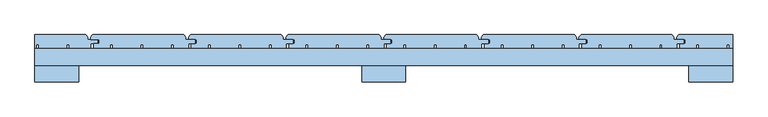
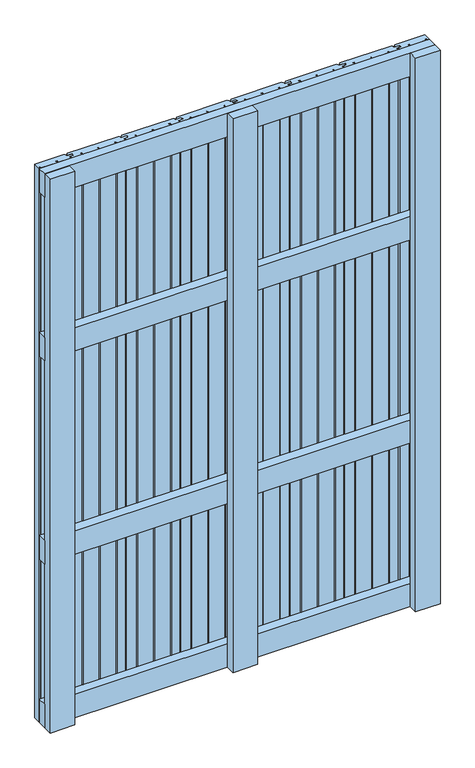
"""IFC4 building model written with IfcOpenShell, lengths in millimetres: window geometry."""

from ifc_helpers import new_model, si_unit, frame, origin, place, context, project, spatial, polyline, outline, extrude, source, transform, mapped, element, save


def window_5d65d1c5(model_context):
    return source(origin(), model_context, "Body", "SweptSolid", [
        extrude(outline(polyline([(500.0, 30.0), (500.0, 6.0), (-500.0, 6.0), (-500.0, 30.0), (500.0, 30.0)])), frame((0.0, 0.0, 1093.5), z_axis=(0.0, 0.0, 1.0), x_axis=(1.0, 0.0, 0.0)), (0.0, 0.0, 1.0), 63.0),
        extrude(outline(polyline([(500.0, 30.0), (500.0, 6.0), (-500.0, 6.0), (-500.0, 30.0), (500.0, 30.0)])), frame((0.0, 0.0, 543.5), z_axis=(0.0, 0.0, 1.0), x_axis=(1.0, 0.0, 0.0)), (0.0, 0.0, 1.0), 63.0),
        extrude(outline(polyline([(500.0, 30.0), (500.0, 6.0), (-500.0, 6.0), (-500.0, 30.0), (500.0, 30.0)])), frame((0.0, 0.0, 1537.0), z_axis=(0.0, 0.0, 1.0), x_axis=(1.0, 0.0, 0.0)), (0.0, 0.0, 1.0), 63.0),
        extrude(outline(polyline([(500.0, 30.0), (500.0, 6.0), (-500.0, 6.0), (-500.0, 30.0), (500.0, 30.0)])), frame((0.0, 0.0, 100.0), z_axis=(0.0, 0.0, 1.0), x_axis=(1.0, 0.0, 0.0)), (0.0, 0.0, 1.0), 63.0),
        extrude(outline(polyline([(-417.0, 50.0), (-287.0, 50.0), (-284.0, 47.0), (-284.0, 43.0), (-270.0, 43.0), (-270.0, 37.0), (-280.0, 37.0), (-280.0, 30.0), (-301.1278597, 30.0), (-301.1278597, 36.0), (-304.6278597, 36.0), (-304.6278597, 30.0), (-344.6889298, 30.0), (-344.6889298, 36.0), (-348.1889298, 36.0), (-348.1889298, 30.0), (-388.25, 30.0), (-388.25, 36.0), (-391.75, 36.0), (-391.75, 30.0), (-416.0, 30.0), (-416.0, 37.0), (-408.0, 37.0), (-408.0, 43.0), (-420.0, 43.0), (-420.0, 47.0), (-417.0, 50.0)])), frame((0.0, 0.0, 100.0), z_axis=(0.0, 0.0, 1.0), x_axis=(1.0, 0.0, 0.0)), (0.0, 0.0, 1.0), 1500.0),
        extrude(outline(polyline([(-277.0, 50.0), (-147.0, 50.0), (-144.0, 47.0), (-144.0, 43.0), (-130.0, 43.0), (-130.0, 37.0), (-140.0, 37.0), (-140.0, 30.0), (-161.1278597, 30.0), (-161.1278597, 36.0), (-164.6278597, 36.0), (-164.6278597, 30.0), (-204.6889298, 30.0), (-204.6889298, 36.0), (-208.1889298, 36.0), (-208.1889298, 30.0), (-248.25, 30.0), (-248.25, 36.0), (-251.75, 36.0), (-251.75, 30.0), (-276.0, 30.0), (-276.0, 37.0), (-268.0, 37.0), (-268.0, 43.0), (-280.0, 43.0), (-280.0, 47.0), (-277.0, 50.0)])), frame((0.0, 0.0, 100.0), z_axis=(0.0, 0.0, 1.0), x_axis=(1.0, 0.0, 0.0)), (0.0, 0.0, 1.0), 1500.0),
        extrude(outline(polyline([(-137.0, 50.0), (-7.0, 50.0), (-4.0, 47.0), (-4.0, 43.0), (10.0, 43.0), (10.0, 37.0), (0.0, 37.0), (0.0, 30.0), (-21.1278597, 30.0), (-21.1278597, 36.0), (-24.6278597, 36.0), (-24.6278597, 30.0), (-64.6889298, 30.0), (-64.6889298, 36.0), (-68.1889298, 36.0), (-68.1889298, 30.0), (-108.25, 30.0), (-108.25, 36.0), (-111.75, 36.0), (-111.75, 30.0), (-136.0, 30.0), (-136.0, 37.0), (-128.0, 37.0), (-128.0, 43.0), (-140.0, 43.0), (-140.0, 47.0), (-137.0, 50.0)])), frame((0.0, 0.0, 100.0), z_axis=(0.0, 0.0, 1.0), x_axis=(1.0, 0.0, 0.0)), (0.0, 0.0, 1.0), 1500.0),
        extrude(outline(polyline([(3.0, 50.0), (133.0, 50.0), (136.0, 47.0), (136.0, 43.0), (150.0, 43.0), (150.0, 37.0), (140.0, 37.0), (140.0, 30.0), (118.8721403, 30.0), (118.8721403, 36.0), (115.3721403, 36.0), (115.3721403, 30.0), (75.3110702, 30.0), (75.3110702, 36.0), (71.8110702, 36.0), (71.8110702, 30.0), (31.75, 30.0), (31.75, 36.0), (28.25, 36.0), (28.25, 30.0), (4.0, 30.0), (4.0, 37.0), (12.0, 37.0), (12.0, 43.0), (0.0, 43.0), (0.0, 47.0), (3.0, 50.0)])), frame((0.0, 0.0, 100.0), z_axis=(0.0, 0.0, 1.0), x_axis=(1.0, 0.0, 0.0)), (0.0, 0.0, 1.0), 1500.0),
        extrude(outline(polyline([(143.0, 50.0), (273.0, 50.0), (276.0, 47.0), (276.0, 43.0), (290.0, 43.0), (290.0, 37.0), (280.0, 37.0), (280.0, 30.0), (258.8721403, 30.0), (258.8721403, 36.0), (255.3721403, 36.0), (255.3721403, 30.0), (215.3110702, 30.0), (215.3110702, 36.0), (211.8110702, 36.0), (211.8110702, 30.0), (171.75, 30.0), (171.75, 36.0), (168.25, 36.0), (168.25, 30.0), (144.0, 30.0), (144.0, 37.0), (152.0, 37.0), (152.0, 43.0), (140.0, 43.0), (140.0, 47.0), (143.0, 50.0)])), frame((0.0, 0.0, 100.0), z_axis=(0.0, 0.0, 1.0), x_axis=(1.0, 0.0, 0.0)), (0.0, 0.0, 1.0), 1500.0),
        extrude(outline(polyline([(283.0, 50.0), (413.0, 50.0), (416.0, 47.0), (416.0, 43.0), (430.0, 43.0), (430.0, 37.0), (420.0, 37.0), (420.0, 30.0), (398.8721403, 30.0), (398.8721403, 36.0), (395.3721403, 36.0), (395.3721403, 30.0), (355.3110702, 30.0), (355.3110702, 36.0), (351.8110702, 36.0), (351.8110702, 30.0), (311.75, 30.0), (311.75, 36.0), (308.25, 36.0), (308.25, 30.0), (284.0, 30.0), (284.0, 37.0), (292.0, 37.0), (292.0, 43.0), (280.0, 43.0), (280.0, 47.0), (283.0, 50.0)])), frame((0.0, 0.0, 100.0), z_axis=(0.0, 0.0, 1.0), x_axis=(1.0, 0.0, 0.0)), (0.0, 0.0, 1.0), 1500.0),
        extrude(outline(polyline([(-500.0, 50.0), (-427.0, 50.0), (-424.0, 47.0), (-424.0, 43.0), (-410.0, 43.0), (-410.0, 37.0), (-420.0, 37.0), (-420.0, 30.0), (-451.1278597, 30.0), (-451.1278597, 36.0), (-454.6278597, 36.0), (-454.6278597, 30.0), (-494.6889298, 30.0), (-494.6889298, 36.0), (-498.1889298, 36.0), (-498.1889298, 30.0), (-500.0, 30.0), (-500.0, 50.0)])), frame((0.0, 0.0, 100.0), z_axis=(0.0, 0.0, 1.0), x_axis=(1.0, 0.0, 0.0)), (0.0, 0.0, 1.0), 1500.0),
        extrude(outline(polyline([(423.0, 50.0), (500.0, 50.0), (500.0, 30.0), (495.3110702, 30.0), (495.3110702, 36.0), (491.8110702, 36.0), (491.8110702, 30.0), (451.75, 30.0), (451.75, 36.0), (448.25, 36.0), (448.25, 30.0), (424.0, 30.0), (424.0, 37.0), (432.0, 37.0), (432.0, 43.0), (420.0, 43.0), (420.0, 47.0), (423.0, 50.0)])), frame((0.0, 0.0, 100.0), z_axis=(0.0, 0.0, 1.0), x_axis=(1.0, 0.0, 0.0)), (0.0, 0.0, 1.0), 1500.0),
        extrude(outline(polyline([(-31.5, 6.1), (31.5, 6.1), (31.5, -17.9), (-31.5, -17.9), (-31.5, 6.1)])), frame((0.0, 0.0, 100.0), z_axis=(0.0, 0.0, 1.0), x_axis=(1.0, 0.0, 0.0)), (0.0, 0.0, 1.0), 1500.0),
        extrude(outline(polyline([(-500.0, 6.0), (-437.0, 6.0), (-437.0, -18.0), (-500.0, -18.0), (-500.0, 6.0)])), frame((0.0, 0.0, 100.0), z_axis=(0.0, 0.0, 1.0), x_axis=(1.0, 0.0, 0.0)), (0.0, 0.0, 1.0), 1500.0),
        extrude(outline(polyline([(437.0, 6.0), (500.0, 6.0), (500.0, -18.0), (437.0, -18.0), (437.0, 6.0)])), frame((0.0, 0.0, 100.0), z_axis=(0.0, 0.0, 1.0), x_axis=(1.0, 0.0, 0.0)), (0.0, 0.0, 1.0), 1500.0),
    ])


if __name__ == "__main__":
    model = new_model("IFC4")
    model_context = context("Model", 3, world=origin())
    ifc_project = project(units=[si_unit("LENGTHUNIT", "METRE", prefix="MILLI")], contexts=[model_context])
    site = spatial("IfcSite", under=ifc_project)
    building = spatial("IfcBuilding", under=site)
    placement = place(None, origin())
    window_shape = window_5d65d1c5(model_context)
    element("IfcWindow", 1, at=placement, inside=building, context=model_context, shape_type="MappedRepresentation", body=[
        mapped(window_shape, transform((0.0, 0.0, 0.0), x_axis=(1.0, 0.0, 0.0), y_axis=(0.0, 1.0, 0.0), z_axis=(0.0, 0.0, 1.0))),
    ])
    save(model, "model.ifc")
